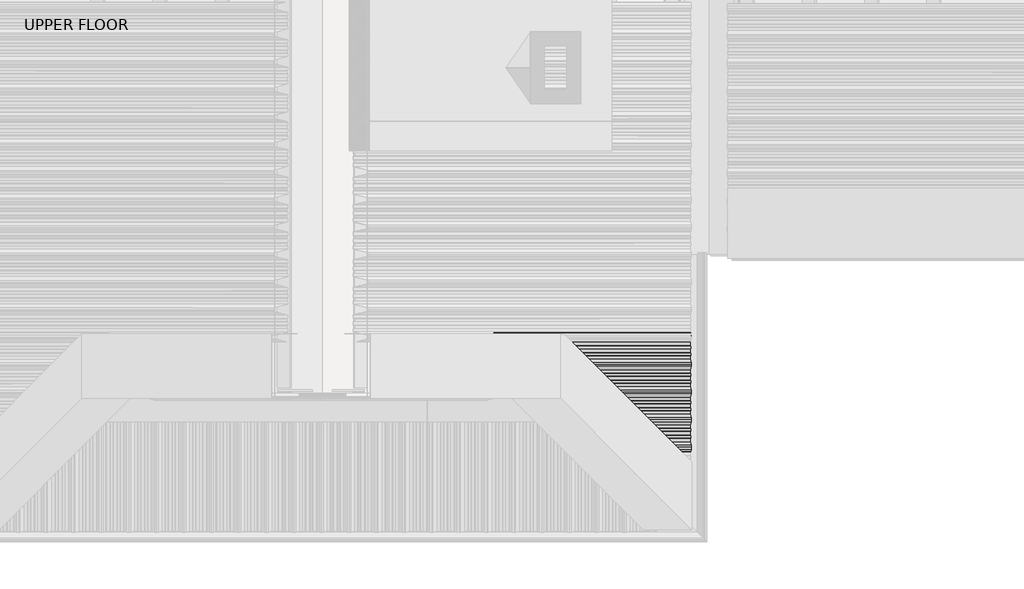
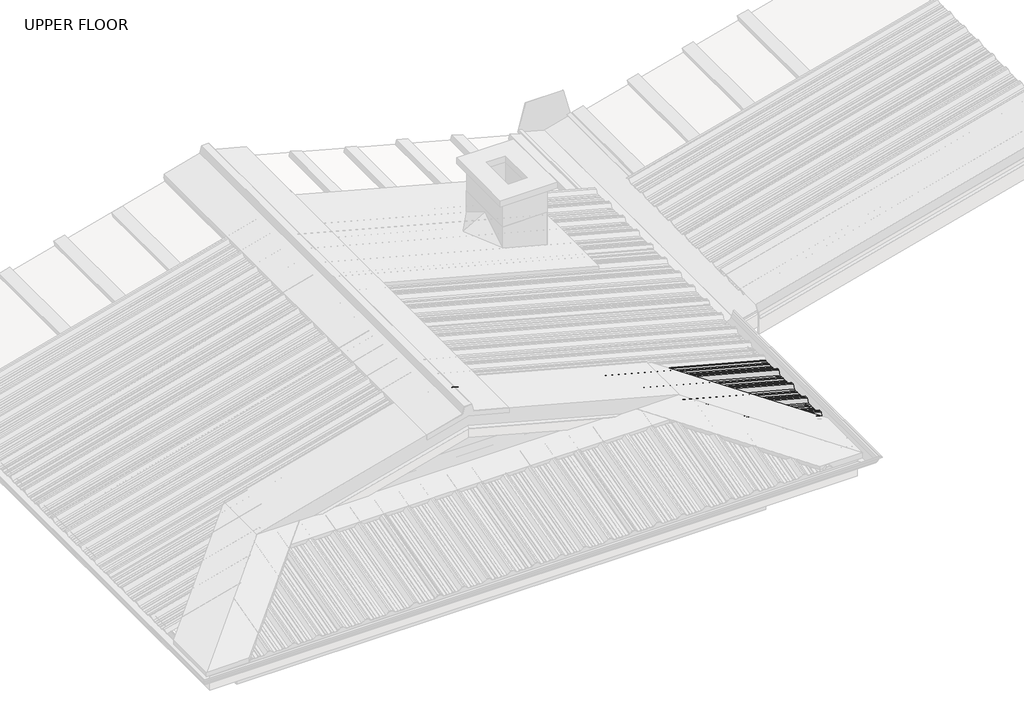
# One storey, part 7 of 8: 1 beam.
"""IFC4 building model written with IfcOpenShell, lengths in millimetres."""

from ifc_helpers import new_model, si_unit, frame, origin, place, context, project, spatial, circle_curve, ellipse_curve, element, save
from ifc_brep_helpers import plane_surface, cylinder_surface, advanced_brep

model = new_model("IFC4")

# Units and contexts
model_context = context("Model", 3, world=origin())
ifc_project = project(units=[si_unit("LENGTHUNIT", "METRE", prefix="MILLI")], contexts=[model_context])

# Site, building, storey
site = spatial("IfcSite", under=ifc_project)
building = spatial("IfcBuilding", under=site)
storey = spatial("IfcBuildingStorey", under=building, Name="UPPER FLOOR", Elevation=2700.0)

# Beam
placement = place(None, origin())
element("IfcBeam", 1, ObjectType="MC770", at=placement, inside=storey, context=model_context, shape_type="AdvancedBrep", body=[
    advanced_brep(
    [(2081.6856926, -3423.0736583, 3939.8907), (2081.6856926, -3399.4584081, 3939.8907), (2082.2137421, -3395.0780903, 3941.8614073), (2082.2137421, -3378.1381211, 3941.8614073), (2081.6856926, -3374.9230769, 3939.8907), (2081.6856926, -3350.1296182, 3939.8907), (2087.8973497, -3326.5224666, 3963.0729198), (2087.8973497, -3303.5095998, 3963.0729198), (2082.5965754, -3283.3642212, 3943.2901607), (2082.4135565, -3284.071352, 3942.6071247), (2087.6385307, -3303.9286553, 3962.106994), (2087.6385307, -3326.103411, 3962.106994), (2081.4268736, -3349.7105626, 3938.9247742), (2081.4268736, -3375.2135914, 3938.9247742), (2081.954923, -3378.4286356, 3940.8954814), (2081.954923, -3394.8566268, 3940.8954814), (2081.4268736, -3399.2369445, 3938.9247742), (2081.4268736, -3423.2951218, 3938.9247742), (2081.9322281, -3427.4871785, 3940.8107827), (2082.1870283, -3427.2323782, 3941.7617103), (2086.3457482, -3423.0736583, 3938.6420418), (2109.9609985, -3399.4584081, 3932.3143546), (2114.3413162, -3395.0780903, 3933.2528497), (2131.2812855, -3378.1381211, 3928.7137986), (2134.4963296, -3374.9230769, 3925.7401324), (2159.2897883, -3350.1296182, 3919.0967452), (2182.8969399, -3326.5224666, 3937.6178563), (2205.9098068, -3303.5095998, 3931.4515773), (2226.0551853, -3283.3642212, 3904.850542), (2225.3480545, -3284.071352, 3904.3079414), (2205.4907512, -3303.9286553, 3930.5285867), (2183.3159955, -3326.103411, 3936.4702945), (2159.7088439, -3349.7105626, 3917.9491834), (2134.2058151, -3375.2135914, 3924.7826994), (2130.990771, -3378.4286356, 3927.7563656), (2114.5627797, -3394.8566268, 3932.1582326), (2110.182462, -3399.2369445, 3931.2197375), (2086.1242847, -3423.2951218, 3937.6661066)],
    [
        (0, 1),
        (1, 2),
        (2, 3),
        (3, 4),
        (4, 5),
        (5, 6),
        (6, 7),
        (7, 8),
        (8, 9, circle_curve(frame((2082.505821, -3283.7207042, 3942.9514608), z_axis=(-0.9659258262890683, 0.0, 0.25881904510252074), x_axis=(0.0, -1.0, 0.0)), 0.500034)),
        (9, 10),
        (10, 11),
        (11, 12),
        (12, 13),
        (13, 14),
        (14, 15),
        (15, 16),
        (16, 17),
        (17, 18),
        (18, 19),
        (19, 0),
        (19, 20),
        (20, 0),
        (20, 21),
        (21, 1),
        (21, 22),
        (22, 2),
        (22, 23),
        (23, 3),
        (23, 24),
        (24, 4),
        (24, 25),
        (25, 5),
        (25, 26),
        (26, 6),
        (26, 27),
        (27, 7),
        (27, 28),
        (28, 8),
        (28, 29, ellipse_curve(frame((2225.6987023, -3283.7207042, 3904.5830439), z_axis=(-0.7071067811865476, 0.7071067811865475, 0.0), x_axis=(-0.6612248329466447, -0.6612248329466448, 0.3543493200069157)), 0.7321007, 0.500034)),
        (29, 9),
        (29, 30),
        (30, 10),
        (30, 31),
        (31, 11),
        (31, 32),
        (32, 12),
        (32, 33),
        (33, 13),
        (33, 34),
        (34, 14),
        (34, 35),
        (35, 15),
        (35, 36),
        (36, 16),
        (36, 37),
        (37, 17),
        (37, 18),
    ],
    [
        plane_surface(frame((2081.4268736, -3470.0161299, 3938.9247742), z_axis=(-0.9659258262890684, 0.0, 0.25881904510252085), x_axis=(0.1845166182220651, -0.7012479477870259, 0.6886253940455416))),
        plane_surface(frame((2082.2137421, -3427.453976, 3941.8614073), z_axis=(0.23461789175161565, 0.42221886042245516, 0.8756058923817214), x_axis=(0.9659258262890683, 0.0, -0.25881904510252074))),
        plane_surface(frame((2081.6856926, -3423.0736583, 3939.8907), z_axis=(0.25881904510252074, 0.0, 0.9659258262890683), x_axis=(0.9659258262890683, 0.0, -0.25881904510252074))),
        plane_surface(frame((2081.6856926, -3399.4584081, 3939.8907), z_axis=(0.23461789175161352, -0.422218860422459, 0.87560589238172), x_axis=(0.9659258262890683, 0.0, -0.25881904510252074))),
        plane_surface(frame((2082.2137421, -3395.0780903, 3941.8614073), z_axis=(0.25881904510252074, 0.0, 0.9659258262890683), x_axis=(0.9659258262890683, 0.0, -0.25881904510252074))),
        plane_surface(frame((2082.2137421, -3378.1381211, 3941.8614073), z_axis=(0.2185313076918791, 0.5358075541289503, 0.8155699433505561), x_axis=(0.9659258262890683, 0.0, -0.25881904510252074))),
        plane_surface(frame((2081.6856926, -3374.9230769, 3939.8907), z_axis=(0.25881904510252074, 0.0, 0.9659258262890683), x_axis=(0.9659258262890683, 0.0, -0.25881904510252074))),
        plane_surface(frame((2081.6856926, -3350.1296182, 3939.8907), z_axis=(0.18149632422633952, -0.7129174676808542, 0.6773535033996988), x_axis=(0.9659258262890683, 0.0, -0.25881904510252074))),
        plane_surface(frame((2087.8973497, -3326.5224666, 3963.0729198), z_axis=(0.25881904510252074, 0.0, 0.9659258262890683), x_axis=(0.9659258262890683, 0.0, -0.25881904510252074))),
        plane_surface(frame((2087.8973497, -3303.5095998, 3963.0729198), z_axis=(0.18149632422634177, 0.7129174676808562, 0.6773535033996961), x_axis=(0.9659258262890683, 0.0, -0.25881904510252074))),
        cylinder_surface(frame((4584.4494051, -3283.7207042, 3272.557698), z_axis=(-0.9659258262890683, 0.0, 0.25881904510252074), x_axis=(0.0, -1.0, 0.0)), 0.500034),
        plane_surface(frame((2082.4135565, -3284.071352, 3942.6071247), z_axis=(-0.18149632422634662, -0.7129174676808377, -0.6773535033997142), x_axis=(0.9659258262890683, 0.0, -0.25881904510252074))),
        plane_surface(frame((2087.6385307, -3303.9286553, 3962.106994), z_axis=(-0.25881904510252074, 0.0, -0.9659258262890683), x_axis=(0.9659258262890683, 0.0, -0.25881904510252074))),
        plane_surface(frame((2087.6385307, -3326.103411, 3962.106994), z_axis=(-0.18149632422633952, 0.7129174676808542, -0.6773535033996988), x_axis=(0.9659258262890683, 0.0, -0.25881904510252074))),
        plane_surface(frame((2081.4268736, -3349.7105626, 3938.9247742), z_axis=(-0.25881904510252074, 0.0, -0.9659258262890683), x_axis=(0.9659258262890683, 0.0, -0.25881904510252074))),
        plane_surface(frame((2081.4268736, -3375.2135914, 3938.9247742), z_axis=(-0.2185313076918775, -0.5358075541289602, -0.8155699433505502), x_axis=(0.9659258262890683, 0.0, -0.25881904510252074))),
        plane_surface(frame((2081.954923, -3378.4286356, 3940.8954814), z_axis=(-0.25881904510252074, 0.0, -0.9659258262890683), x_axis=(0.9659258262890683, 0.0, -0.25881904510252074))),
        plane_surface(frame((2081.954923, -3394.8566268, 3940.8954814), z_axis=(-0.23461789175161551, 0.4222188604224425, -0.8756058923817275), x_axis=(0.9659258262890683, 0.0, -0.25881904510252074))),
        plane_surface(frame((2081.4268736, -3399.2369445, 3938.9247742), z_axis=(-0.25881904510252074, 0.0, -0.9659258262890683), x_axis=(0.9659258262890683, 0.0, -0.25881904510252074))),
        plane_surface(frame((2081.4268736, -3423.2951218, 3938.9247742), z_axis=(-0.23461789175161635, -0.4222188604224494, -0.875605892381724), x_axis=(0.9659258262890683, 0.0, -0.25881904510252074))),
        plane_surface(frame((1656.3612459, -3853.0581606, 4276.036793), z_axis=(0.7071067811865476, -0.7071067811865475, 0.0), x_axis=(0.0, 0.0, -1.0))),
    ],
    [
        (0, [[1, 2, 3, 4, 5, 6, 7, 8, 9, 10, 11, 12, 13, 14, 15, 16, 17, 18, 19, 20]]),
        (1, [[-20, 21, 22]]),
        (2, [[-1, -22, 23, 24]]),
        (3, [[-2, -24, 25, 26]]),
        (4, [[-3, -26, 27, 28]]),
        (5, [[-4, -28, 29, 30]]),
        (6, [[-5, -30, 31, 32]]),
        (7, [[-6, -32, 33, 34]]),
        (8, [[-7, -34, 35, 36]]),
        (9, [[-8, -36, 37, 38]]),
        (10, [[-9, -38, 39, 40]]),
        (11, [[-10, -40, 41, 42]]),
        (12, [[-11, -42, 43, 44]]),
        (13, [[-12, -44, 45, 46]]),
        (14, [[-13, -46, 47, 48]]),
        (15, [[-14, -48, 49, 50]]),
        (16, [[-15, -50, 51, 52]]),
        (17, [[-16, -52, 53, 54]]),
        (18, [[-17, -54, 55, 56]]),
        (19, [[-18, -56, 57]]),
        (20, [[-19, -57, -55, -53, -51, -49, -47, -45, -43, -41, -39, -37, -35, -33, -31, -29, -27, -25, -23, -21]]),
    ],
),
    advanced_brep(
    [(4583.3704577, -3470.0161299, 3268.5310113), (4583.3704577, -3447.318475, 3268.5310113), (4583.8985071, -3444.1034308, 3270.5017186), (4583.8985071, -3427.6754395, 3270.5017186), (4583.3704577, -3423.2951218, 3268.5310113), (4583.3704577, -3399.2369445, 3268.5310113), (4583.8985071, -3394.8566268, 3270.5017186), (4583.8985071, -3378.4286356, 3270.5017186), (4583.3704577, -3375.2135914, 3268.5310113), (4583.3704577, -3349.7105626, 3268.5310113), (4589.5821147, -3326.103411, 3291.7132311), (4589.5821147, -3303.9286553, 3291.7132311), (4584.3571405, -3284.071352, 3272.2133618), (4584.5401595, -3283.3642212, 3272.8963978), (4589.8409338, -3303.5095998, 3292.679157), (4589.8409338, -3326.5224666, 3292.679157), (4583.6292767, -3350.1296182, 3269.4969371), (4583.6292767, -3374.9230769, 3269.4969371), (4584.1573261, -3378.1381211, 3271.4676444), (4584.1573261, -3395.0780903, 3271.4676444), (4583.6292767, -3399.4584081, 3269.4969371), (4583.6292767, -3423.0736583, 3269.4969371), (4584.1573261, -3427.453976, 3271.4676444), (4584.1573261, -3444.3939453, 3271.4676444), (4583.6292767, -3447.6089895, 3269.4969371), (4583.6292767, -3469.4416189, 3269.4969371), (4590.3585719, -3495.0160332, 3294.6110086), (4590.3585719, -3507.5160332, 3294.6110086), (4590.3585719, -3520.0160332, 3294.6110086), (4583.6292767, -3545.5904474, 3269.4969371), (4583.6292767, -3567.4230769, 3269.4969371), (4584.1573261, -3570.6381211, 3271.4676444), (4584.1573261, -3587.5780903, 3271.4676444), (4583.6292767, -3591.9584081, 3269.4969371), (4583.6292767, -3615.5736583, 3269.4969371), (4584.1573261, -3619.953976, 3271.4676444), (4584.1573261, -3636.8939453, 3271.4676444), (4583.6292767, -3640.1089895, 3269.4969371), (4583.6292767, -3661.9416189, 3269.4969371), (4590.3585719, -3687.5160332, 3294.6110086), (4590.3585719, -3700.0160332, 3294.6110086), (4590.3585719, -3712.5160332, 3294.6110086), (4583.6292767, -3738.0904474, 3269.4969371), (4583.6292767, -3759.9230769, 3269.4969371), (4584.1573261, -3763.1381211, 3271.4676444), (4584.1573261, -3780.0780903, 3271.4676444), (4583.6292767, -3784.4584081, 3269.4969371), (4583.6292767, -3808.0736583, 3269.4969371), (4584.1573261, -3812.453976, 3271.4676444), (4584.1573261, -3829.3939453, 3271.4676444), (4583.6292767, -3832.6089895, 3269.4969371), (4583.6292767, -3854.4416189, 3269.4969371), (4590.3585719, -3880.0160332, 3294.6110086), (4590.3585719, -3892.5160332, 3294.6110086), (4590.3585719, -3905.0160332, 3294.6110086), (4583.6292767, -3930.5904474, 3269.4969371), (4583.6292767, -3952.4230769, 3269.4969371), (4584.1573261, -3955.6381211, 3271.4676444), (4584.1573261, -3972.5780903, 3271.4676444), (4583.6292767, -3976.9584081, 3269.4969371), (4583.6292767, -4000.5736583, 3269.4969371), (4584.1573261, -4004.953976, 3271.4676444), (4584.1573261, -4021.8939453, 3271.4676444), (4583.6292767, -4025.1089895, 3269.4969371), (4583.6292767, -4046.9416189, 3269.4969371), (4590.3585719, -4072.5160332, 3294.6110086), (4590.3585719, -4085.0160332, 3294.6110086), (4590.3585719, -4097.5160332, 3294.6110086), (4585.215181, -4117.0632821, 3275.4156127), (4585.0118787, -4116.2777821, 3274.656878), (4590.0997528, -4096.9415222, 3293.6450828), (4590.0997528, -4085.0160332, 3293.6450828), (4590.0997528, -4073.0905442, 3293.6450828), (4583.3704577, -4047.5161299, 3268.5310113), (4583.3704577, -4024.818475, 3268.5310113), (4583.8985071, -4021.6034308, 3270.5017186), (4583.8985071, -4005.1754395, 3270.5017186), (4583.3704577, -4000.7951218, 3268.5310113), (4583.3704577, -3976.7369445, 3268.5310113), (4583.8985071, -3972.3566268, 3270.5017186), (4583.8985071, -3955.9286356, 3270.5017186), (4583.3704577, -3952.7135914, 3268.5310113), (4583.3704577, -3930.0159364, 3268.5310113), (4590.0997528, -3904.4415222, 3293.6450828), (4590.0997528, -3892.5160332, 3293.6450828), (4590.0997528, -3880.5905442, 3293.6450828), (4583.3704577, -3855.0161299, 3268.5310113), (4583.3704577, -3832.318475, 3268.5310113), (4583.8985071, -3829.1034308, 3270.5017186), (4583.8985071, -3812.6754395, 3270.5017186), (4583.3704577, -3808.2951218, 3268.5310113), (4583.3704577, -3784.2369445, 3268.5310113), (4583.8985071, -3779.8566268, 3270.5017186), (4583.8985071, -3763.4286356, 3270.5017186), (4583.3704577, -3760.2135914, 3268.5310113), (4583.3704577, -3737.5159364, 3268.5310113), (4590.0997528, -3711.9415222, 3293.6450828), (4590.0997528, -3700.0160332, 3293.6450828), (4590.0997528, -3688.0905442, 3293.6450828), (4583.3704577, -3662.5161299, 3268.5310113), (4583.3704577, -3639.818475, 3268.5310113), (4583.8985071, -3636.6034308, 3270.5017186), (4583.8985071, -3620.1754395, 3270.5017186), (4583.3704577, -3615.7951218, 3268.5310113), (4583.3704577, -3591.7369445, 3268.5310113), (4583.8985071, -3587.3566268, 3270.5017186), (4583.8985071, -3570.9286356, 3270.5017186), (4583.3704577, -3567.7135914, 3268.5310113), (4583.3704577, -3545.0159364, 3268.5310113), (4590.0997528, -3519.4415222, 3293.6450828), (4590.0997528, -3507.5160332, 3293.6450828), (4590.0997528, -3495.5905442, 3293.6450828), (3564.4419037, -3639.818475, 3541.5520945), (3561.2268596, -3636.6034308, 3544.5257607), (3587.1395587, -3662.5161299, 3535.4702761), (3612.713973, -3688.0905442, 3555.5348132), (3624.639462, -3700.0160332, 3552.339388), (3636.564951, -3711.9415222, 3549.1439629), (3662.1393652, -3737.5159364, 3515.3741386), (3684.8370202, -3760.2135914, 3509.2923202), (3688.0520643, -3763.4286356, 3510.5430495), (3704.4800556, -3779.8566268, 3506.1411825), (3708.8603733, -3784.2369445, 3502.8552822), (3732.9185506, -3808.2951218, 3496.408913), (3737.2988683, -3812.6754395, 3497.3474081), (3753.7268596, -3829.1034308, 3492.9455411), (3756.9419037, -3832.318475, 3489.9718749), (3779.6395587, -3855.0161299, 3483.8900566), (3805.213973, -3880.5905442, 3503.9545937), (3817.139462, -3892.5160332, 3500.7591685), (3829.064951, -3904.4415222, 3497.5637434), (3854.6393652, -3930.0159364, 3463.793919), (3877.3370202, -3952.7135914, 3457.7121007), (3880.5520643, -3955.9286356, 3458.9628299), (3896.9800556, -3972.3566268, 3454.5609629), (3901.3603733, -3976.7369445, 3451.2750626), (3925.4185506, -4000.7951218, 3444.8286935), (3929.7988683, -4005.1754395, 3445.7671886), (3946.2268596, -4021.6034308, 3441.3653216), (3949.4419037, -4024.818475, 3438.3916554), (3972.1395587, -4047.5161299, 3432.3098371), (3997.713973, -4073.0905442, 3452.3743741), (4009.639462, -4085.0160332, 3449.178949), (4021.564951, -4096.9415222, 3445.9835238), (4040.9012109, -4116.2777821, 3420.450892), (4041.6867109, -4117.0632821, 3421.0536273), (4022.139462, -4097.5160332, 3446.8648602), (4009.639462, -4085.0160332, 3450.2142251), (3997.139462, -4072.5160332, 3453.56359), (3971.5650477, -4046.9416189, 3433.499053), (3949.7324182, -4025.1089895, 3439.3490884), (3946.5173741, -4021.8939453, 3442.3227546), (3929.5774048, -4004.953976, 3446.8618057), (3925.1970871, -4000.5736583, 3445.9233106), (3901.5818368, -3976.9584081, 3452.2509978), (3897.2015191, -3972.5780903, 3455.5368981), (3880.2615498, -3955.6381211, 3460.0759492), (3877.0465057, -3952.4230769, 3458.82522), (3855.2138762, -3930.5904474, 3464.6752554), (3829.639462, -3905.0160332, 3498.4450798), (3817.139462, -3892.5160332, 3501.7944447), (3804.639462, -3880.0160332, 3505.1438096), (3779.0650477, -3854.4416189, 3485.0792725), (3757.2324182, -3832.6089895, 3490.929308), (3754.0173741, -3829.3939453, 3493.9029742), (3737.0774048, -3812.453976, 3498.4420253), (3732.6970871, -3808.0736583, 3497.5035302), (3709.0818368, -3784.4584081, 3503.8312174), (3704.7015191, -3780.0780903, 3507.1171177), (3687.7615498, -3763.1381211, 3511.6561688), (3684.5465057, -3759.9230769, 3510.4054396), (3662.7138762, -3738.0904474, 3516.255475), (3637.139462, -3712.5160332, 3550.0252993), (3624.639462, -3700.0160332, 3553.3746642), (3612.139462, -3687.5160332, 3556.7240291), (3586.5650477, -3661.9416189, 3536.6594921), (3564.7324182, -3640.1089895, 3542.5095275), (3561.5173741, -3636.8939453, 3545.4831937), (3544.5774048, -3619.953976, 3550.0222448), (3540.1970871, -3615.5736583, 3549.0837497), (3516.5818368, -3591.9584081, 3555.4114369), (3512.2015191, -3587.5780903, 3558.6973372), (3495.2615498, -3570.6381211, 3563.2363883), (3492.0465057, -3567.4230769, 3561.9856591), (3470.2138762, -3545.5904474, 3567.8356945), (3444.639462, -3520.0160332, 3601.6055189), (3432.139462, -3507.5160332, 3604.9548838), (3419.639462, -3495.0160332, 3608.3042487), (3394.0650477, -3469.4416189, 3588.2397116), (3372.2324182, -3447.6089895, 3594.0897471), (3369.0173741, -3444.3939453, 3597.0634133), (3352.0774048, -3427.453976, 3601.6024643), (3347.6970871, -3423.0736583, 3600.6639692), (3324.0818368, -3399.4584081, 3606.9916565), (3319.7015191, -3395.0780903, 3610.2775568), (3302.7615498, -3378.1381211, 3614.8166078), (3299.5465057, -3374.9230769, 3613.5658786), (3274.753047, -3350.1296182, 3620.2092659), (3251.1458954, -3326.5224666, 3651.3814114), (3228.1330285, -3303.5095998, 3657.5476905), (3207.98765, -3283.3642212, 3641.7425311), (3208.6947808, -3284.071352, 3640.8209802), (3228.5520841, -3303.9286553, 3656.4001287), (3250.7268398, -3326.103411, 3650.4584208), (3274.3339914, -3349.7105626, 3619.2862753), (3299.8370202, -3375.2135914, 3612.4527593), (3303.0520643, -3378.4286356, 3613.7034885), (3319.4800556, -3394.8566268, 3609.3016215), (3323.8603733, -3399.2369445, 3606.0157213), (3347.9185506, -3423.2951218, 3599.5693521), (3352.2988683, -3427.6754395, 3600.5078472), (3368.7268596, -3444.1034308, 3596.1059802), (3371.9419037, -3447.318475, 3593.132314), (3394.6395587, -3470.0161299, 3587.0504957), (3420.213973, -3495.5905442, 3607.1150327), (3432.139462, -3507.5160332, 3603.9196076), (3444.064951, -3519.4415222, 3600.7241824), (3469.6393652, -3545.0159364, 3566.9543581), (3492.3370202, -3567.7135914, 3560.8725398), (3495.5520643, -3570.9286356, 3562.123269), (3511.9800556, -3587.3566268, 3557.721402), (3516.3603733, -3591.7369445, 3554.4355017), (3540.4185506, -3615.7951218, 3547.9891325), (3544.7988683, -3620.1754395, 3548.9276277)],
    [
        (0, 1),
        (1, 2),
        (2, 3),
        (3, 4),
        (4, 5),
        (5, 6),
        (6, 7),
        (7, 8),
        (8, 9),
        (9, 10),
        (10, 11),
        (11, 12),
        (12, 13, circle_curve(frame((4584.4494051, -3283.7207042, 3272.557698), z_axis=(0.9659258262890683, 0.0, -0.25881904510252074), x_axis=(0.0, -1.0, 0.0)), 0.500034)),
        (13, 14),
        (14, 15),
        (15, 16),
        (16, 17),
        (17, 18),
        (18, 19),
        (19, 20),
        (20, 21),
        (21, 22),
        (22, 23),
        (23, 24),
        (24, 25),
        (25, 26),
        (26, 27),
        (27, 28),
        (28, 29),
        (29, 30),
        (30, 31),
        (31, 32),
        (32, 33),
        (33, 34),
        (34, 35),
        (35, 36),
        (36, 37),
        (37, 38),
        (38, 39),
        (39, 40),
        (40, 41),
        (41, 42),
        (42, 43),
        (43, 44),
        (44, 45),
        (45, 46),
        (46, 47),
        (47, 48),
        (48, 49),
        (49, 50),
        (50, 51),
        (51, 52),
        (52, 53),
        (53, 54),
        (54, 55),
        (55, 56),
        (56, 57),
        (57, 58),
        (58, 59),
        (59, 60),
        (60, 61),
        (61, 62),
        (62, 63),
        (63, 64),
        (64, 65),
        (65, 66),
        (66, 67),
        (67, 68),
        (68, 69, circle_curve(frame((4585.1143687, -4116.6672912, 3275.0393758), z_axis=(0.9659258262890683, 0.0, -0.25881904510252074), x_axis=(0.0, -1.0, 0.0)), 0.5554513)),
        (69, 70),
        (70, 71),
        (71, 72),
        (72, 73),
        (73, 74),
        (74, 75),
        (75, 76),
        (76, 77),
        (77, 78),
        (78, 79),
        (79, 80),
        (80, 81),
        (81, 82),
        (82, 83),
        (83, 84),
        (84, 85),
        (85, 86),
        (86, 87),
        (87, 88),
        (88, 89),
        (89, 90),
        (90, 91),
        (91, 92),
        (92, 93),
        (93, 94),
        (94, 95),
        (95, 96),
        (96, 97),
        (97, 98),
        (98, 99),
        (99, 100),
        (100, 101),
        (101, 102),
        (102, 103),
        (103, 104),
        (104, 105),
        (105, 106),
        (106, 107),
        (107, 108),
        (108, 109),
        (109, 110),
        (110, 111),
        (111, 0),
        (100, 112),
        (112, 113),
        (113, 101),
        (99, 114),
        (114, 112),
        (98, 115),
        (115, 114),
        (97, 116),
        (116, 115),
        (96, 117),
        (117, 116),
        (95, 118),
        (118, 117),
        (94, 119),
        (119, 118),
        (93, 120),
        (120, 119),
        (92, 121),
        (121, 120),
        (91, 122),
        (122, 121),
        (90, 123),
        (123, 122),
        (89, 124),
        (124, 123),
        (88, 125),
        (125, 124),
        (87, 126),
        (126, 125),
        (86, 127),
        (127, 126),
        (85, 128),
        (128, 127),
        (84, 129),
        (129, 128),
        (83, 130),
        (130, 129),
        (82, 131),
        (131, 130),
        (81, 132),
        (132, 131),
        (80, 133),
        (133, 132),
        (79, 134),
        (134, 133),
        (78, 135),
        (135, 134),
        (77, 136),
        (136, 135),
        (76, 137),
        (137, 136),
        (75, 138),
        (138, 137),
        (74, 139),
        (139, 138),
        (73, 140),
        (140, 139),
        (72, 141),
        (141, 140),
        (71, 142),
        (142, 141),
        (70, 143),
        (143, 142),
        (69, 144),
        (144, 143),
        (68, 145),
        (145, 144, ellipse_curve(frame((4041.29072, -4116.6672912, 3420.7564833), z_axis=(0.7071067811865475, 0.7071067811865476, 0.0), x_axis=(-0.6612248329466451, 0.661224832946645, 0.3543493200069143)), 0.8132371, 0.5554513)),
        (67, 146),
        (146, 145),
        (66, 147),
        (147, 146),
        (65, 148),
        (148, 147),
        (64, 149),
        (149, 148),
        (63, 150),
        (150, 149),
        (62, 151),
        (151, 150),
        (61, 152),
        (152, 151),
        (60, 153),
        (153, 152),
        (59, 154),
        (154, 153),
        (58, 155),
        (155, 154),
        (57, 156),
        (156, 155),
        (56, 157),
        (157, 156),
        (55, 158),
        (158, 157),
        (54, 159),
        (159, 158),
        (53, 160),
        (160, 159),
        (52, 161),
        (161, 160),
        (51, 162),
        (162, 161),
        (50, 163),
        (163, 162),
        (49, 164),
        (164, 163),
        (48, 165),
        (165, 164),
        (47, 166),
        (166, 165),
        (46, 167),
        (167, 166),
        (45, 168),
        (168, 167),
        (44, 169),
        (169, 168),
        (43, 170),
        (170, 169),
        (42, 171),
        (171, 170),
        (41, 172),
        (172, 171),
        (40, 173),
        (173, 172),
        (39, 174),
        (174, 173),
        (38, 175),
        (175, 174),
        (37, 176),
        (176, 175),
        (36, 177),
        (177, 176),
        (35, 178),
        (178, 177),
        (34, 179),
        (179, 178),
        (33, 180),
        (180, 179),
        (32, 181),
        (181, 180),
        (31, 182),
        (182, 181),
        (30, 183),
        (183, 182),
        (29, 184),
        (184, 183),
        (28, 185),
        (185, 184),
        (27, 186),
        (186, 185),
        (26, 187),
        (187, 186),
        (25, 188),
        (188, 187),
        (24, 189),
        (189, 188),
        (23, 190),
        (190, 189),
        (22, 191),
        (191, 190),
        (21, 192),
        (192, 191),
        (20, 193),
        (193, 192),
        (19, 194),
        (194, 193),
        (18, 195),
        (195, 194),
        (17, 196),
        (196, 195),
        (16, 197),
        (197, 196),
        (15, 198),
        (198, 197),
        (14, 199),
        (199, 198),
        (13, 200),
        (200, 199),
        (12, 201),
        (201, 200, ellipse_curve(frame((3208.344133, -3283.7207042, 3641.2839944), z_axis=(0.7071067811865475, 0.7071067811865476, 0.0), x_axis=(-0.6612248329466451, 0.661224832946645, 0.3543493200069143)), 0.7321007, 0.500034)),
        (11, 202),
        (202, 201),
        (10, 203),
        (203, 202),
        (9, 204),
        (204, 203),
        (8, 205),
        (205, 204),
        (7, 206),
        (206, 205),
        (6, 207),
        (207, 206),
        (5, 208),
        (208, 207),
        (4, 209),
        (209, 208),
        (3, 210),
        (210, 209),
        (2, 211),
        (211, 210),
        (1, 212),
        (212, 211),
        (0, 213),
        (213, 212),
        (111, 214),
        (214, 213),
        (110, 215),
        (215, 214),
        (109, 216),
        (216, 215),
        (108, 217),
        (217, 216),
        (107, 218),
        (218, 217),
        (106, 219),
        (219, 218),
        (105, 220),
        (220, 219),
        (104, 221),
        (221, 220),
        (103, 222),
        (222, 221),
        (102, 223),
        (223, 222),
        (113, 223),
    ],
    [
        plane_surface(frame((4583.3704577, -3470.0161299, 3268.5310113), z_axis=(0.9659258262890684, 0.0, -0.25881904510252085), x_axis=(-0.1845166182220651, 0.7012479477870259, -0.6886253940455416))),
        plane_surface(frame((2081.954923, -3636.6034308, 3940.8954814), z_axis=(-0.2185313076918746, 0.535807554128965, -0.8155699433505478), x_axis=(0.9659258262890683, 0.0, -0.25881904510252074))),
        plane_surface(frame((2081.4268736, -3639.818475, 3938.9247742), z_axis=(-0.25881904510252074, 0.0, -0.9659258262890683), x_axis=(0.9659258262890683, 0.0, -0.25881904510252074))),
        plane_surface(frame((2081.4268736, -3662.5161299, 3938.9247742), z_axis=(-0.18149632422634626, -0.712917467680839, -0.677353503399713), x_axis=(0.9659258262890683, 0.0, -0.25881904510252074))),
        plane_surface(frame((2088.1561688, -3688.0905442, 3964.0388456), z_axis=(-0.25881904510252074, 0.0, -0.9659258262890683), x_axis=(0.9659258262890683, 0.0, -0.25881904510252074))),
        plane_surface(frame((2088.1561688, -3700.0160332, 3964.0388456), z_axis=(-0.25881904510252074, 0.0, -0.9659258262890683), x_axis=(0.9659258262890683, 0.0, -0.25881904510252074))),
        plane_surface(frame((2088.1561688, -3711.9415222, 3964.0388456), z_axis=(-0.18149632422633938, 0.7129174676808547, -0.6773535033996981), x_axis=(0.9659258262890683, 0.0, -0.25881904510252074))),
        plane_surface(frame((2081.4268736, -3737.5159364, 3938.9247742), z_axis=(-0.25881904510252074, 0.0, -0.9659258262890683), x_axis=(0.9659258262890683, 0.0, -0.25881904510252074))),
        plane_surface(frame((2081.4268736, -3760.2135914, 3938.9247742), z_axis=(-0.21853130769187754, -0.5358075541289602, -0.8155699433505502), x_axis=(0.9659258262890683, 0.0, -0.25881904510252074))),
        plane_surface(frame((2081.954923, -3763.4286356, 3940.8954814), z_axis=(-0.25881904510252074, 0.0, -0.9659258262890683), x_axis=(0.9659258262890683, 0.0, -0.25881904510252074))),
        plane_surface(frame((2081.954923, -3779.8566268, 3940.8954814), z_axis=(-0.23461789175161418, 0.42221886042245327, -0.8756058923817226), x_axis=(0.9659258262890683, 0.0, -0.25881904510252074))),
        plane_surface(frame((2081.4268736, -3784.2369445, 3938.9247742), z_axis=(-0.25881904510252074, 0.0, -0.9659258262890683), x_axis=(0.9659258262890683, 0.0, -0.25881904510252074))),
        plane_surface(frame((2081.4268736, -3808.2951218, 3938.9247742), z_axis=(-0.23461789175161699, -0.42221886042244405, -0.8756058923817264), x_axis=(0.9659258262890683, 0.0, -0.25881904510252074))),
        plane_surface(frame((2081.954923, -3812.6754395, 3940.8954814), z_axis=(-0.25881904510252074, 0.0, -0.9659258262890683), x_axis=(0.9659258262890683, 0.0, -0.25881904510252074))),
        plane_surface(frame((2081.954923, -3829.1034308, 3940.8954814), z_axis=(-0.21853130769187562, 0.5358075541289586, -0.8155699433505516), x_axis=(0.9659258262890683, 0.0, -0.25881904510252074))),
        plane_surface(frame((2081.4268736, -3832.318475, 3938.9247742), z_axis=(-0.25881904510252074, 0.0, -0.9659258262890683), x_axis=(0.9659258262890683, 0.0, -0.25881904510252074))),
        plane_surface(frame((2081.4268736, -3855.0161299, 3938.9247742), z_axis=(-0.18149632422634185, -0.7129174676808558, -0.6773535033996965), x_axis=(0.9659258262890683, 0.0, -0.25881904510252074))),
        plane_surface(frame((2088.1561688, -3880.5905442, 3964.0388456), z_axis=(-0.25881904510252074, 0.0, -0.9659258262890683), x_axis=(0.9659258262890683, 0.0, -0.25881904510252074))),
        plane_surface(frame((2088.1561688, -3892.5160332, 3964.0388456), z_axis=(-0.25881904510252074, 0.0, -0.9659258262890683), x_axis=(0.9659258262890683, 0.0, -0.25881904510252074))),
        plane_surface(frame((2088.1561688, -3904.4415222, 3964.0388456), z_axis=(-0.18149632422634032, 0.712917467680851, -0.6773535033997018), x_axis=(0.9659258262890683, 0.0, -0.25881904510252074))),
        plane_surface(frame((2081.4268736, -3930.0159364, 3938.9247742), z_axis=(-0.25881904510252074, 0.0, -0.9659258262890683), x_axis=(0.9659258262890683, 0.0, -0.25881904510252074))),
        plane_surface(frame((2081.4268736, -3952.7135914, 3938.9247742), z_axis=(-0.21853130769187745, -0.5358075541289601, -0.8155699433505502), x_axis=(0.9659258262890683, 0.0, -0.25881904510252074))),
        plane_surface(frame((2081.954923, -3955.9286356, 3940.8954814), z_axis=(-0.25881904510252074, 0.0, -0.9659258262890683), x_axis=(0.9659258262890683, 0.0, -0.25881904510252074))),
        plane_surface(frame((2081.954923, -3972.3566268, 3940.8954814), z_axis=(-0.2346178917516155, 0.4222188604224425, -0.8756058923817275), x_axis=(0.9659258262890683, 0.0, -0.25881904510252074))),
        plane_surface(frame((2081.4268736, -3976.7369445, 3938.9247742), z_axis=(-0.25881904510252074, 0.0, -0.9659258262890683), x_axis=(0.9659258262890683, 0.0, -0.25881904510252074))),
        plane_surface(frame((2081.4268736, -4000.7951218, 3938.9247742), z_axis=(-0.23461789175161693, -0.422218860422444, -0.8756058923817264), x_axis=(0.9659258262890683, 0.0, -0.25881904510252074))),
        plane_surface(frame((2081.954923, -4005.1754395, 3940.8954814), z_axis=(-0.25881904510252074, 0.0, -0.9659258262890683), x_axis=(0.9659258262890683, 0.0, -0.25881904510252074))),
        plane_surface(frame((2081.954923, -4021.6034308, 3940.8954814), z_axis=(-0.21853130769187565, 0.5358075541289586, -0.8155699433505514), x_axis=(0.9659258262890683, 0.0, -0.25881904510252074))),
        plane_surface(frame((2081.4268736, -4024.818475, 3938.9247742), z_axis=(-0.25881904510252074, 0.0, -0.9659258262890683), x_axis=(0.9659258262890683, 0.0, -0.25881904510252074))),
        plane_surface(frame((2081.4268736, -4047.5161299, 3938.9247742), z_axis=(-0.18149632422634235, -0.712917467680854, -0.6773535033996984), x_axis=(0.9659258262890683, 0.0, -0.25881904510252074))),
        plane_surface(frame((2088.1561688, -4073.0905442, 3964.0388456), z_axis=(-0.25881904510252074, 0.0, -0.9659258262890683), x_axis=(0.9659258262890683, 0.0, -0.25881904510252074))),
        plane_surface(frame((2088.1561688, -4085.0160332, 3964.0388456), z_axis=(-0.25881904510252074, 0.0, -0.9659258262890683), x_axis=(0.9659258262890683, 0.0, -0.25881904510252074))),
        plane_surface(frame((2088.1561688, -4096.9415222, 3964.0388456), z_axis=(-0.18149632422633416, 0.7129174676808745, -0.6773535033996789), x_axis=(0.9659258262890683, 0.0, -0.25881904510252074))),
        cylinder_surface(frame((4585.1143687, -4116.6672912, 3275.0393758), z_axis=(-0.9659258262890683, 0.0, 0.25881904510252074), x_axis=(0.0, -1.0, 0.0)), 0.5554513),
        plane_surface(frame((2083.271597, -4117.0632821, 3945.8093755), z_axis=(0.18149632422633005, -0.7129174676808904, 0.6773535033996633), x_axis=(0.9659258262890683, 0.0, -0.25881904510252074))),
        plane_surface(frame((2088.4149878, -4097.5160332, 3965.0047715), z_axis=(0.25881904510252074, 0.0, 0.9659258262890683), x_axis=(0.9659258262890683, 0.0, -0.25881904510252074))),
        plane_surface(frame((2088.4149878, -4085.0160332, 3965.0047715), z_axis=(0.25881904510252074, 0.0, 0.9659258262890683), x_axis=(0.9659258262890683, 0.0, -0.25881904510252074))),
        plane_surface(frame((2088.4149878, -4072.5160332, 3965.0047715), z_axis=(0.18149632422634218, 0.7129174676808544, 0.6773535033996978), x_axis=(0.9659258262890683, 0.0, -0.25881904510252074))),
        plane_surface(frame((2081.6856926, -4046.9416189, 3939.8907), z_axis=(0.25881904510252074, 0.0, 0.9659258262890683), x_axis=(0.9659258262890683, 0.0, -0.25881904510252074))),
        plane_surface(frame((2081.6856926, -4025.1089895, 3939.8907), z_axis=(0.21853130769187465, -0.5358075541289649, 0.8155699433505477), x_axis=(0.9659258262890683, 0.0, -0.25881904510252074))),
        plane_surface(frame((2082.2137421, -4021.8939453, 3941.8614073), z_axis=(0.25881904510252074, 0.0, 0.9659258262890683), x_axis=(0.9659258262890683, 0.0, -0.25881904510252074))),
        plane_surface(frame((2082.2137421, -4004.953976, 3941.8614073), z_axis=(0.23461789175161624, 0.42221886042244977, 0.8756058923817237), x_axis=(0.9659258262890683, 0.0, -0.25881904510252074))),
        plane_surface(frame((2081.6856926, -4000.5736583, 3939.8907), z_axis=(0.25881904510252074, 0.0, 0.9659258262890683), x_axis=(0.9659258262890683, 0.0, -0.25881904510252074))),
        plane_surface(frame((2081.6856926, -3976.9584081, 3939.8907), z_axis=(0.23461789175161482, -0.4222188604224482, 0.8756058923817247), x_axis=(0.9659258262890683, 0.0, -0.25881904510252074))),
        plane_surface(frame((2082.2137421, -3972.5780903, 3941.8614073), z_axis=(0.25881904510252074, 0.0, 0.9659258262890683), x_axis=(0.9659258262890683, 0.0, -0.25881904510252074))),
        plane_surface(frame((2082.2137421, -3955.6381211, 3941.8614073), z_axis=(0.21853130769187643, 0.5358075541289664, 0.8155699433505463), x_axis=(0.9659258262890683, 0.0, -0.25881904510252074))),
        plane_surface(frame((2081.6856926, -3952.4230769, 3939.8907), z_axis=(0.25881904510252074, 0.0, 0.9659258262890683), x_axis=(0.9659258262890683, 0.0, -0.25881904510252074))),
        plane_surface(frame((2081.6856926, -3930.5904474, 3939.8907), z_axis=(0.1814963242263403, -0.7129174676808514, 0.6773535033997015), x_axis=(0.9659258262890683, 0.0, -0.25881904510252074))),
        plane_surface(frame((2088.4149878, -3905.0160332, 3965.0047715), z_axis=(0.25881904510252074, 0.0, 0.9659258262890683), x_axis=(0.9659258262890683, 0.0, -0.25881904510252074))),
        plane_surface(frame((2088.4149878, -3892.5160332, 3965.0047715), z_axis=(0.25881904510252074, 0.0, 0.9659258262890683), x_axis=(0.9659258262890683, 0.0, -0.25881904510252074))),
        plane_surface(frame((2088.4149878, -3880.0160332, 3965.0047715), z_axis=(0.18149632422634185, 0.7129174676808558, 0.6773535033996965), x_axis=(0.9659258262890683, 0.0, -0.25881904510252074))),
        plane_surface(frame((2081.6856926, -3854.4416189, 3939.8907), z_axis=(0.25881904510252074, 0.0, 0.9659258262890683), x_axis=(0.9659258262890683, 0.0, -0.25881904510252074))),
        plane_surface(frame((2081.6856926, -3832.6089895, 3939.8907), z_axis=(0.21853130769187562, -0.5358075541289586, 0.8155699433505516), x_axis=(0.9659258262890683, 0.0, -0.25881904510252074))),
        plane_surface(frame((2082.2137421, -3829.3939453, 3941.8614073), z_axis=(0.25881904510252074, 0.0, 0.9659258262890683), x_axis=(0.9659258262890683, 0.0, -0.25881904510252074))),
        plane_surface(frame((2082.2137421, -3812.453976, 3941.8614073), z_axis=(0.23461789175161699, 0.42221886042244405, 0.8756058923817264), x_axis=(0.9659258262890683, 0.0, -0.25881904510252074))),
        plane_surface(frame((2081.6856926, -3808.0736583, 3939.8907), z_axis=(0.25881904510252074, 0.0, 0.9659258262890683), x_axis=(0.9659258262890683, 0.0, -0.25881904510252074))),
        plane_surface(frame((2081.6856926, -3784.4584081, 3939.8907), z_axis=(0.23461789175161418, -0.42221886042245327, 0.8756058923817226), x_axis=(0.9659258262890683, 0.0, -0.25881904510252074))),
        plane_surface(frame((2082.2137421, -3780.0780903, 3941.8614073), z_axis=(0.25881904510252074, 0.0, 0.9659258262890683), x_axis=(0.9659258262890683, 0.0, -0.25881904510252074))),
        plane_surface(frame((2082.2137421, -3763.1381211, 3941.8614073), z_axis=(0.21853130769187754, 0.5358075541289602, 0.8155699433505502), x_axis=(0.9659258262890683, 0.0, -0.25881904510252074))),
        plane_surface(frame((2081.6856926, -3759.9230769, 3939.8907), z_axis=(0.25881904510252074, 0.0, 0.9659258262890683), x_axis=(0.9659258262890683, 0.0, -0.25881904510252074))),
        plane_surface(frame((2081.6856926, -3738.0904474, 3939.8907), z_axis=(0.18149632422633935, -0.7129174676808547, 0.6773535033996981), x_axis=(0.9659258262890683, 0.0, -0.25881904510252074))),
        plane_surface(frame((2088.4149878, -3712.5160332, 3965.0047715), z_axis=(0.25881904510252074, 0.0, 0.9659258262890683), x_axis=(0.9659258262890683, 0.0, -0.25881904510252074))),
        plane_surface(frame((2088.4149878, -3700.0160332, 3965.0047715), z_axis=(0.25881904510252074, 0.0, 0.9659258262890683), x_axis=(0.9659258262890683, 0.0, -0.25881904510252074))),
        plane_surface(frame((2088.4149878, -3687.5160332, 3965.0047715), z_axis=(0.1814963242263463, 0.712917467680839, 0.677353503399713), x_axis=(0.9659258262890683, 0.0, -0.25881904510252074))),
        plane_surface(frame((2081.6856926, -3661.9416189, 3939.8907), z_axis=(0.25881904510252074, 0.0, 0.9659258262890683), x_axis=(0.9659258262890683, 0.0, -0.25881904510252074))),
        plane_surface(frame((2081.6856926, -3640.1089895, 3939.8907), z_axis=(0.21853130769187462, -0.535807554128965, 0.8155699433505477), x_axis=(0.9659258262890683, 0.0, -0.25881904510252074))),
        plane_surface(frame((2082.2137421, -3636.8939453, 3941.8614073), z_axis=(0.25881904510252074, 0.0, 0.9659258262890683), x_axis=(0.9659258262890683, 0.0, -0.25881904510252074))),
        plane_surface(frame((2082.2137421, -3619.953976, 3941.8614073), z_axis=(0.23461789175161626, 0.42221886042244977, 0.8756058923817237), x_axis=(0.9659258262890683, 0.0, -0.25881904510252074))),
        plane_surface(frame((2081.6856926, -3615.5736583, 3939.8907), z_axis=(0.25881904510252074, 0.0, 0.9659258262890683), x_axis=(0.9659258262890683, 0.0, -0.25881904510252074))),
        plane_surface(frame((2081.6856926, -3591.9584081, 3939.8907), z_axis=(0.23461789175161485, -0.42221886042244827, 0.8756058923817249), x_axis=(0.9659258262890683, 0.0, -0.25881904510252074))),
        plane_surface(frame((2082.2137421, -3587.5780903, 3941.8614073), z_axis=(0.25881904510252074, 0.0, 0.9659258262890683), x_axis=(0.9659258262890683, 0.0, -0.25881904510252074))),
        plane_surface(frame((2082.2137421, -3570.6381211, 3941.8614073), z_axis=(0.21853130769187712, 0.5358075541289623, 0.8155699433505488), x_axis=(0.9659258262890683, 0.0, -0.25881904510252074))),
        plane_surface(frame((2081.6856926, -3567.4230769, 3939.8907), z_axis=(0.25881904510252074, 0.0, 0.9659258262890683), x_axis=(0.9659258262890683, 0.0, -0.25881904510252074))),
        plane_surface(frame((2081.6856926, -3545.5904474, 3939.8907), z_axis=(0.18149632422633938, -0.7129174676808547, 0.6773535033996981), x_axis=(0.9659258262890683, 0.0, -0.25881904510252074))),
        plane_surface(frame((2088.4149878, -3520.0160332, 3965.0047715), z_axis=(0.25881904510252074, 0.0, 0.9659258262890683), x_axis=(0.9659258262890683, 0.0, -0.25881904510252074))),
        plane_surface(frame((2088.4149878, -3507.5160332, 3965.0047715), z_axis=(0.25881904510252074, 0.0, 0.9659258262890683), x_axis=(0.9659258262890683, 0.0, -0.25881904510252074))),
        plane_surface(frame((2088.4149878, -3495.0160332, 3965.0047715), z_axis=(0.181496324226342, 0.7129174676808555, 0.677353503399697), x_axis=(0.9659258262890683, 0.0, -0.25881904510252074))),
        plane_surface(frame((2081.6856926, -3469.4416189, 3939.8907), z_axis=(0.25881904510252074, 0.0, 0.9659258262890683), x_axis=(0.9659258262890683, 0.0, -0.25881904510252074))),
        plane_surface(frame((2081.6856926, -3447.6089895, 3939.8907), z_axis=(0.21853130769187462, -0.535807554128965, 0.8155699433505478), x_axis=(0.9659258262890683, 0.0, -0.25881904510252074))),
        plane_surface(frame((2082.2137421, -3444.3939453, 3941.8614073), z_axis=(0.25881904510252074, 0.0, 0.9659258262890683), x_axis=(0.9659258262890683, 0.0, -0.25881904510252074))),
        plane_surface(frame((2082.2137421, -3427.453976, 3941.8614073), z_axis=(0.23461789175161565, 0.42221886042245516, 0.8756058923817214), x_axis=(0.9659258262890683, 0.0, -0.25881904510252074))),
        plane_surface(frame((2081.6856926, -3423.0736583, 3939.8907), z_axis=(0.25881904510252074, 0.0, 0.9659258262890683), x_axis=(0.9659258262890683, 0.0, -0.25881904510252074))),
        plane_surface(frame((2081.6856926, -3399.4584081, 3939.8907), z_axis=(0.23461789175161352, -0.422218860422459, 0.87560589238172), x_axis=(0.9659258262890683, 0.0, -0.25881904510252074))),
        plane_surface(frame((2082.2137421, -3395.0780903, 3941.8614073), z_axis=(0.25881904510252074, 0.0, 0.9659258262890683), x_axis=(0.9659258262890683, 0.0, -0.25881904510252074))),
        plane_surface(frame((2082.2137421, -3378.1381211, 3941.8614073), z_axis=(0.2185313076918791, 0.5358075541289503, 0.8155699433505561), x_axis=(0.9659258262890683, 0.0, -0.25881904510252074))),
        plane_surface(frame((2081.6856926, -3374.9230769, 3939.8907), z_axis=(0.25881904510252074, 0.0, 0.9659258262890683), x_axis=(0.9659258262890683, 0.0, -0.25881904510252074))),
        plane_surface(frame((2081.6856926, -3350.1296182, 3939.8907), z_axis=(0.18149632422633952, -0.7129174676808542, 0.6773535033996988), x_axis=(0.9659258262890683, 0.0, -0.25881904510252074))),
        plane_surface(frame((2087.8973497, -3326.5224666, 3963.0729198), z_axis=(0.25881904510252074, 0.0, 0.9659258262890683), x_axis=(0.9659258262890683, 0.0, -0.25881904510252074))),
        plane_surface(frame((2087.8973497, -3303.5095998, 3963.0729198), z_axis=(0.18149632422634177, 0.7129174676808562, 0.6773535033996961), x_axis=(0.9659258262890683, 0.0, -0.25881904510252074))),
        cylinder_surface(frame((4584.4494051, -3283.7207042, 3272.557698), z_axis=(-0.9659258262890683, 0.0, 0.25881904510252074), x_axis=(0.0, -1.0, 0.0)), 0.500034),
        plane_surface(frame((2082.4135565, -3284.071352, 3942.6071247), z_axis=(-0.18149632422634662, -0.7129174676808377, -0.6773535033997142), x_axis=(0.9659258262890683, 0.0, -0.25881904510252074))),
        plane_surface(frame((2087.6385307, -3303.9286553, 3962.106994), z_axis=(-0.25881904510252074, 0.0, -0.9659258262890683), x_axis=(0.9659258262890683, 0.0, -0.25881904510252074))),
        plane_surface(frame((2087.6385307, -3326.103411, 3962.106994), z_axis=(-0.18149632422633952, 0.7129174676808542, -0.6773535033996988), x_axis=(0.9659258262890683, 0.0, -0.25881904510252074))),
        plane_surface(frame((2081.4268736, -3349.7105626, 3938.9247742), z_axis=(-0.25881904510252074, 0.0, -0.9659258262890683), x_axis=(0.9659258262890683, 0.0, -0.25881904510252074))),
        plane_surface(frame((2081.4268736, -3375.2135914, 3938.9247742), z_axis=(-0.2185313076918775, -0.5358075541289602, -0.8155699433505502), x_axis=(0.9659258262890683, 0.0, -0.25881904510252074))),
        plane_surface(frame((2081.954923, -3378.4286356, 3940.8954814), z_axis=(-0.25881904510252074, 0.0, -0.9659258262890683), x_axis=(0.9659258262890683, 0.0, -0.25881904510252074))),
        plane_surface(frame((2081.954923, -3394.8566268, 3940.8954814), z_axis=(-0.23461789175161551, 0.4222188604224425, -0.8756058923817275), x_axis=(0.9659258262890683, 0.0, -0.25881904510252074))),
        plane_surface(frame((2081.4268736, -3399.2369445, 3938.9247742), z_axis=(-0.25881904510252074, 0.0, -0.9659258262890683), x_axis=(0.9659258262890683, 0.0, -0.25881904510252074))),
        plane_surface(frame((2081.4268736, -3423.2951218, 3938.9247742), z_axis=(-0.23461789175161635, -0.4222188604224494, -0.875605892381724), x_axis=(0.9659258262890683, 0.0, -0.25881904510252074))),
        plane_surface(frame((2081.954923, -3427.6754395, 3940.8954814), z_axis=(-0.25881904510252074, 0.0, -0.9659258262890683), x_axis=(0.9659258262890683, 0.0, -0.25881904510252074))),
        plane_surface(frame((2081.954923, -3444.1034308, 3940.8954814), z_axis=(-0.21853130769187562, 0.5358075541289586, -0.8155699433505516), x_axis=(0.9659258262890683, 0.0, -0.25881904510252074))),
        plane_surface(frame((2081.4268736, -3447.318475, 3938.9247742), z_axis=(-0.25881904510252074, 0.0, -0.9659258262890683), x_axis=(0.9659258262890683, 0.0, -0.25881904510252074))),
        plane_surface(frame((2081.4268736, -3470.0161299, 3938.9247742), z_axis=(-0.18149632422634177, -0.7129174676808563, -0.6773535033996961), x_axis=(0.9659258262890683, 0.0, -0.25881904510252074))),
        plane_surface(frame((2088.1561688, -3495.5905442, 3964.0388456), z_axis=(-0.25881904510252074, 0.0, -0.9659258262890683), x_axis=(0.9659258262890683, 0.0, -0.25881904510252074))),
        plane_surface(frame((2088.1561688, -3507.5160332, 3964.0388456), z_axis=(-0.25881904510252074, 0.0, -0.9659258262890683), x_axis=(0.9659258262890683, 0.0, -0.25881904510252074))),
        plane_surface(frame((2088.1561688, -3519.4415222, 3964.0388456), z_axis=(-0.18149632422633927, 0.7129174676808552, -0.6773535033996979), x_axis=(0.9659258262890683, 0.0, -0.25881904510252074))),
        plane_surface(frame((2081.4268736, -3545.0159364, 3938.9247742), z_axis=(-0.25881904510252074, 0.0, -0.9659258262890683), x_axis=(0.9659258262890683, 0.0, -0.25881904510252074))),
        plane_surface(frame((2081.4268736, -3567.7135914, 3938.9247742), z_axis=(-0.21853130769187712, -0.5358075541289623, -0.8155699433505488), x_axis=(0.9659258262890683, 0.0, -0.25881904510252074))),
        plane_surface(frame((2081.954923, -3570.9286356, 3940.8954814), z_axis=(-0.25881904510252074, 0.0, -0.9659258262890683), x_axis=(0.9659258262890683, 0.0, -0.25881904510252074))),
        plane_surface(frame((2081.954923, -3587.3566268, 3940.8954814), z_axis=(-0.23461789175161452, 0.42221886042245094, -0.8756058923817237), x_axis=(0.9659258262890683, 0.0, -0.25881904510252074))),
        plane_surface(frame((2081.4268736, -3591.7369445, 3938.9247742), z_axis=(-0.25881904510252074, 0.0, -0.9659258262890683), x_axis=(0.9659258262890683, 0.0, -0.25881904510252074))),
        plane_surface(frame((2081.4268736, -3615.7951218, 3938.9247742), z_axis=(-0.23461789175161693, -0.4222188604224445, -0.8756058923817263), x_axis=(0.9659258262890683, 0.0, -0.25881904510252074))),
        plane_surface(frame((2081.954923, -3620.1754395, 3940.8954814), z_axis=(-0.25881904510252074, 0.0, -0.9659258262890683), x_axis=(0.9659258262890683, 0.0, -0.25881904510252074))),
        plane_surface(frame((2717.0214177, -2792.3979889, 4276.036793), z_axis=(-0.7071067811865475, -0.7071067811865476, 0.0), x_axis=(0.0, 0.0, -1.0))),
    ],
    [
        (0, [[1, 2, 3, 4, 5, 6, 7, 8, 9, 10, 11, 12, 13, 14, 15, 16, 17, 18, 19, 20, 21, 22, 23, 24, 25, 26, 27, 28, 29, 30, 31, 32, 33, 34, 35, 36, 37, 38, 39, 40, 41, 42, 43, 44, 45, 46, 47, 48, 49, 50, 51, 52, 53, 54, 55, 56, 57, 58, 59, 60, 61, 62, 63, 64, 65, 66, 67, 68, 69, 70, 71, 72, 73, 74, 75, 76, 77, 78, 79, 80, 81, 82, 83, 84, 85, 86, 87, 88, 89, 90, 91, 92, 93, 94, 95, 96, 97, 98, 99, 100, 101, 102, 103, 104, 105, 106, 107, 108, 109, 110, 111, 112]]),
        (1, [[-101, 113, 114, 115]]),
        (2, [[-100, 116, 117, -113]]),
        (3, [[-99, 118, 119, -116]]),
        (4, [[-98, 120, 121, -118]]),
        (5, [[-97, 122, 123, -120]]),
        (6, [[-96, 124, 125, -122]]),
        (7, [[-95, 126, 127, -124]]),
        (8, [[-94, 128, 129, -126]]),
        (9, [[-93, 130, 131, -128]]),
        (10, [[-92, 132, 133, -130]]),
        (11, [[-91, 134, 135, -132]]),
        (12, [[-90, 136, 137, -134]]),
        (13, [[-89, 138, 139, -136]]),
        (14, [[-88, 140, 141, -138]]),
        (15, [[-87, 142, 143, -140]]),
        (16, [[-86, 144, 145, -142]]),
        (17, [[-85, 146, 147, -144]]),
        (18, [[-84, 148, 149, -146]]),
        (19, [[-83, 150, 151, -148]]),
        (20, [[-82, 152, 153, -150]]),
        (21, [[-81, 154, 155, -152]]),
        (22, [[-80, 156, 157, -154]]),
        (23, [[-79, 158, 159, -156]]),
        (24, [[-78, 160, 161, -158]]),
        (25, [[-77, 162, 163, -160]]),
        (26, [[-76, 164, 165, -162]]),
        (27, [[-75, 166, 167, -164]]),
        (28, [[-74, 168, 169, -166]]),
        (29, [[-73, 170, 171, -168]]),
        (30, [[-72, 172, 173, -170]]),
        (31, [[-71, 174, 175, -172]]),
        (32, [[-70, 176, 177, -174]]),
        (33, [[-69, 178, 179, -176]]),
        (34, [[-68, 180, 181, -178]]),
        (35, [[-67, 182, 183, -180]]),
        (36, [[-66, 184, 185, -182]]),
        (37, [[-65, 186, 187, -184]]),
        (38, [[-64, 188, 189, -186]]),
        (39, [[-63, 190, 191, -188]]),
        (40, [[-62, 192, 193, -190]]),
        (41, [[-61, 194, 195, -192]]),
        (42, [[-60, 196, 197, -194]]),
        (43, [[-59, 198, 199, -196]]),
        (44, [[-58, 200, 201, -198]]),
        (45, [[-57, 202, 203, -200]]),
        (46, [[-56, 204, 205, -202]]),
        (47, [[-55, 206, 207, -204]]),
        (48, [[-54, 208, 209, -206]]),
        (49, [[-53, 210, 211, -208]]),
        (50, [[-52, 212, 213, -210]]),
        (51, [[-51, 214, 215, -212]]),
        (52, [[-50, 216, 217, -214]]),
        (53, [[-49, 218, 219, -216]]),
        (54, [[-48, 220, 221, -218]]),
        (55, [[-47, 222, 223, -220]]),
        (56, [[-46, 224, 225, -222]]),
        (57, [[-45, 226, 227, -224]]),
        (58, [[-44, 228, 229, -226]]),
        (59, [[-43, 230, 231, -228]]),
        (60, [[-42, 232, 233, -230]]),
        (61, [[-41, 234, 235, -232]]),
        (62, [[-40, 236, 237, -234]]),
        (63, [[-39, 238, 239, -236]]),
        (64, [[-38, 240, 241, -238]]),
        (65, [[-37, 242, 243, -240]]),
        (66, [[-36, 244, 245, -242]]),
        (67, [[-35, 246, 247, -244]]),
        (68, [[-34, 248, 249, -246]]),
        (69, [[-33, 250, 251, -248]]),
        (70, [[-32, 252, 253, -250]]),
        (71, [[-31, 254, 255, -252]]),
        (72, [[-30, 256, 257, -254]]),
        (73, [[-29, 258, 259, -256]]),
        (74, [[-28, 260, 261, -258]]),
        (75, [[-27, 262, 263, -260]]),
        (76, [[-26, 264, 265, -262]]),
        (77, [[-25, 266, 267, -264]]),
        (78, [[-24, 268, 269, -266]]),
        (79, [[-23, 270, 271, -268]]),
        (80, [[-22, 272, 273, -270]]),
        (81, [[-21, 274, 275, -272]]),
        (82, [[-20, 276, 277, -274]]),
        (83, [[-19, 278, 279, -276]]),
        (84, [[-18, 280, 281, -278]]),
        (85, [[-17, 282, 283, -280]]),
        (86, [[-16, 284, 285, -282]]),
        (87, [[-15, 286, 287, -284]]),
        (88, [[-14, 288, 289, -286]]),
        (89, [[-13, 290, 291, -288]]),
        (90, [[-12, 292, 293, -290]]),
        (91, [[-11, 294, 295, -292]]),
        (92, [[-10, 296, 297, -294]]),
        (93, [[-9, 298, 299, -296]]),
        (94, [[-8, 300, 301, -298]]),
        (95, [[-7, 302, 303, -300]]),
        (96, [[-6, 304, 305, -302]]),
        (97, [[-5, 306, 307, -304]]),
        (98, [[-4, 308, 309, -306]]),
        (99, [[-3, 310, 311, -308]]),
        (100, [[-2, 312, 313, -310]]),
        (101, [[-1, 314, 315, -312]]),
        (102, [[-112, 316, 317, -314]]),
        (103, [[-111, 318, 319, -316]]),
        (104, [[-110, 320, 321, -318]]),
        (105, [[-109, 322, 323, -320]]),
        (106, [[-108, 324, 325, -322]]),
        (107, [[-107, 326, 327, -324]]),
        (108, [[-106, 328, 329, -326]]),
        (109, [[-105, 330, 331, -328]]),
        (110, [[-104, 332, 333, -330]]),
        (111, [[-103, 334, 335, -332]]),
        (112, [[-102, -115, 336, -334]]),
        (113, [[-114, -117, -119, -121, -123, -125, -127, -129, -131, -133, -135, -137, -139, -141, -143, -145, -147, -149, -151, -153, -155, -157, -159, -161, -163, -165, -167, -169, -171, -173, -175, -177, -179, -181, -183, -185, -187, -189, -191, -193, -195, -197, -199, -201, -203, -205, -207, -209, -211, -213, -215, -217, -219, -221, -223, -225, -227, -229, -231, -233, -235, -237, -239, -241, -243, -245, -247, -249, -251, -253, -255, -257, -259, -261, -263, -265, -267, -269, -271, -273, -275, -277, -279, -281, -283, -285, -287, -289, -291, -293, -295, -297, -299, -301, -303, -305, -307, -309, -311, -313, -315, -317, -319, -321, -323, -325, -327, -329, -331, -333, -335, -336]]),
    ],
),
])

save(model, "model.ifc")
